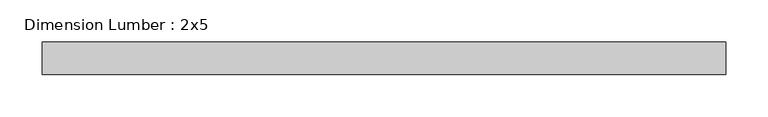
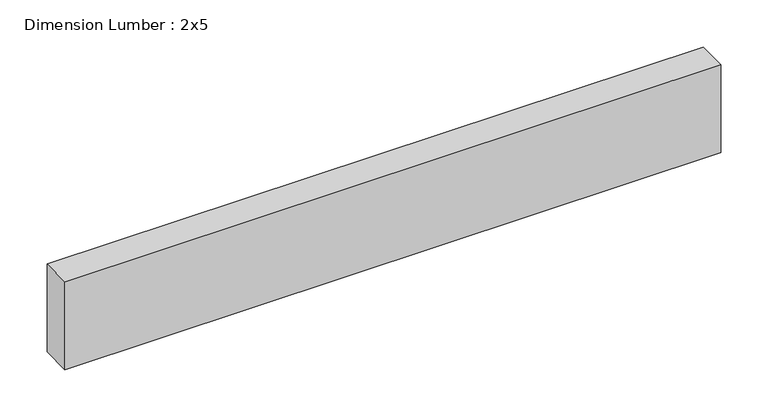
"""IFC4 building model written with IfcOpenShell, lengths in millimetres: beam geometry, Dimension Lumber : 2x5."""

from ifc_helpers import new_model, si_unit, frame, origin, place, context, project, spatial, polyline, outline, extrude, source, transform, mapped, element, save


def dimension_lumber_2x5_3583ff78(model_context):
    return source(origin(), model_context, "Body", "SweptSolid", [
        extrude(outline(polyline([(402.5636017, 19.05), (402.5636017, -19.05), (-402.5636017, -19.05), (-402.5636017, 19.05), (402.5636017, 19.05)])), frame((0.0, 0.0, -57.15), z_axis=(0.0, 0.0, 1.0), x_axis=(1.0, 0.0, 0.0)), (0.0, 0.0, 1.0), 114.3),
    ])


if __name__ == "__main__":
    model = new_model("IFC4")
    model_context = context("Model", 3, world=origin())
    ifc_project = project(units=[si_unit("LENGTHUNIT", "METRE", prefix="MILLI")], contexts=[model_context])
    site = spatial("IfcSite", under=ifc_project)
    building = spatial("IfcBuilding", under=site)
    placement = place(None, origin())
    dimension_lumber_2x5_shape = dimension_lumber_2x5_3583ff78(model_context)
    element("IfcBeam", 1, ObjectType="Dimension Lumber : 2x5", at=placement, inside=building, context=model_context, shape_type="MappedRepresentation", body=[
        mapped(dimension_lumber_2x5_shape, transform((0.0, 0.0, 0.0), x_axis=(1.0, 0.0, 0.0), y_axis=(0.0, 1.0, 0.0), z_axis=(0.0, 0.0, 1.0))),
    ])
    save(model, "model.ifc")
